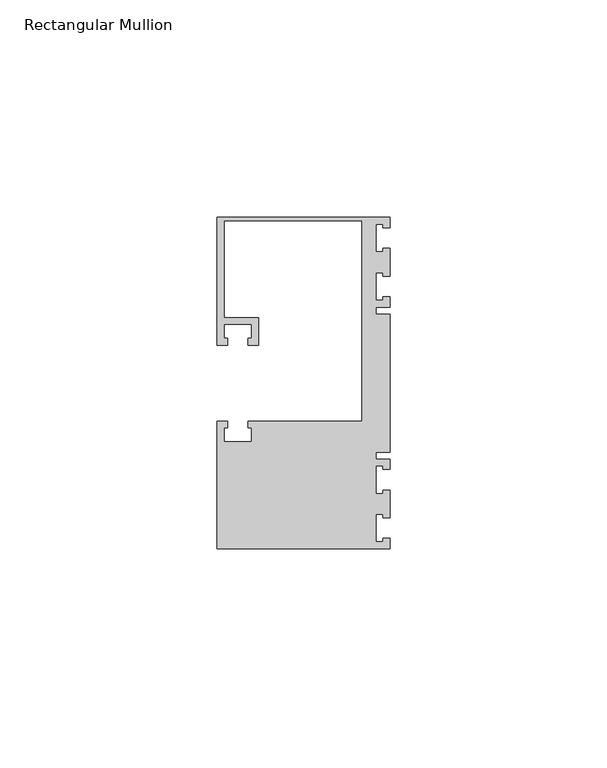
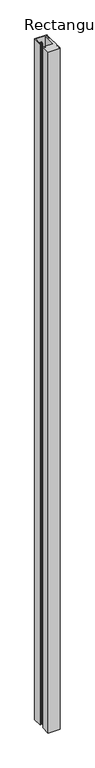
"""IFC4 building model written with IfcOpenShell, lengths in millimetres: member geometry, Rectangular Mullion."""

from ifc_helpers import new_model, si_unit, frame, origin, place, context, project, spatial, polyline, outline, extrude, source, transform, mapped, element, save


def rectangular_mullion_ddcd312e(model_context):
    return source(origin(), model_context, "Body", "SweptSolid", [
        extrude(outline(polyline([(0.0, 38.1), (0.0, 35.71875), (-1.4999946, 35.71875), (-1.4999946, 36.5125), (-3.175, 36.5125), (-3.175, 30.1625), (-1.4999946, 30.1625), (-1.4999946, 30.95625), (0.0, 30.95625), (0.0, 24.60625), (-1.4999946, 24.60625), (-1.4999946, 25.4), (-3.175, 25.4), (-3.175, 19.05), (-1.4999946, 19.05), (-1.4999946, 19.84375), (0.0, 19.84375), (0.0, 17.4625), (-3.175, 17.4625), (-3.175, 15.875), (0.0, 15.875), (0.0, -15.875), (-3.175, -15.875), (-3.175, -17.4625), (0.0, -17.4625), (0.0, -19.84375), (-1.4999946, -19.84375), (-1.4999946, -19.05), (-3.175, -19.05), (-3.175, -25.4), (-1.4999946, -25.4), (-1.4999946, -24.60625), (0.0, -24.60625), (0.0, -30.95625), (-1.4999946, -30.95625), (-1.4999946, -30.1625), (-3.175, -30.1625), (-3.175, -36.5125), (-1.4999946, -36.5125), (-1.4999946, -35.71875), (0.0, -35.71875), (0.0, -38.1), (-39.6875, -38.1), (-39.6875, -8.73125), (-37.30625, -8.73125), (-37.30625, -10.31875), (-38.1, -10.31875), (-38.1, -13.49375), (-31.75, -13.49375), (-31.75, -10.31875), (-32.54375, -10.31875), (-32.54375, -8.73125), (-6.35, -8.73125), (-6.35, 37.30625), (-38.1, 37.30625), (-38.1, 15.08125), (-30.1625, 15.08125), (-30.1625, 8.73125), (-32.54375, 8.73125), (-32.54375, 10.31875), (-31.75, 10.31875), (-31.75, 13.49375), (-38.1, 13.49375), (-38.1, 10.31875), (-37.30625, 10.31875), (-37.30625, 8.73125), (-39.6875, 8.73125), (-39.6875, 38.1), (0.0, 38.1)])), frame((0.0, 0.0, -2359.025), z_axis=(0.0, 0.0, 1.0), x_axis=(1.0, 0.0, 0.0)), (0.0, 0.0, 1.0), 2359.025),
    ])


if __name__ == "__main__":
    model = new_model("IFC4")
    model_context = context("Model", 3, world=origin())
    ifc_project = project(units=[si_unit("LENGTHUNIT", "METRE", prefix="MILLI")], contexts=[model_context])
    site = spatial("IfcSite", under=ifc_project)
    building = spatial("IfcBuilding", under=site)
    placement = place(None, origin())
    rectangular_mullion_shape = rectangular_mullion_ddcd312e(model_context)
    element("IfcMember", 1, ObjectType="Rectangular Mullion", at=placement, inside=building, context=model_context, shape_type="MappedRepresentation", body=[
        mapped(rectangular_mullion_shape, transform((0.0, 0.0, 0.0), x_axis=(1.0, 0.0, 0.0), y_axis=(0.0, 1.0, 0.0), z_axis=(0.0, 0.0, 1.0))),
    ])
    save(model, "model.ifc")
